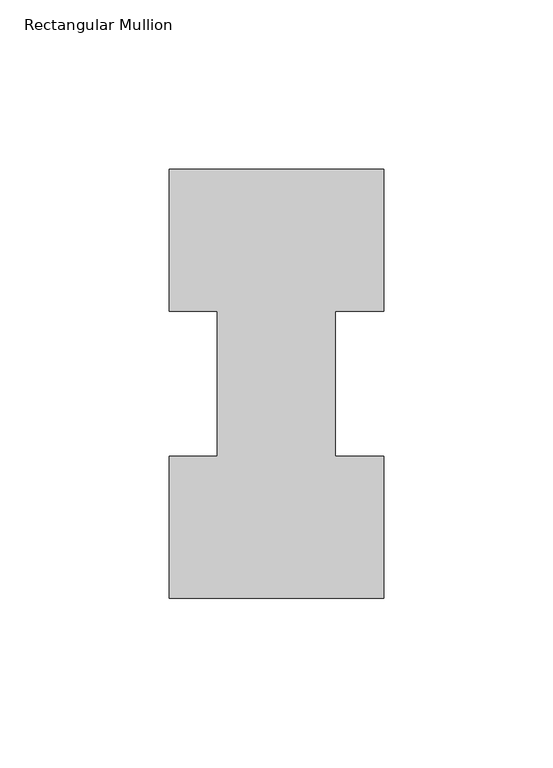
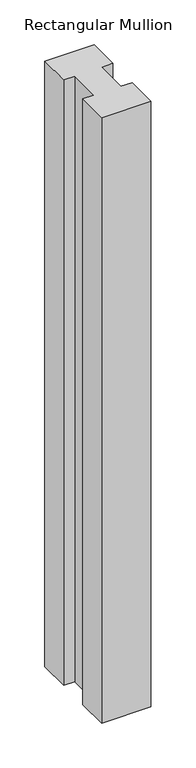
"""IFC4 building model written with IfcOpenShell, lengths in millimetres: member geometry, Rectangular Mullion."""

from ifc_helpers import new_model, si_unit, frame, origin, place, context, project, spatial, polyline, outline, extrude, source, transform, mapped, element, save


def rectangular_mullion_1668c33b(model_context):
    return source(origin(), model_context, "Body", "SweptSolid", [
        extrude(outline(polyline([(-31.75, 127.00635), (31.75, 127.00635), (31.75, 84.93125), (17.4625, 84.93125), (17.4625, 42.08145), (31.75, 42.08145), (31.75, 0.00635), (-31.75, 0.00635), (-31.75, 42.08145), (-17.4625, 42.08145), (-17.4625, 84.93125), (-31.75, 84.93125), (-31.75, 127.00635)])), frame((0.0, 0.0, -825.5177772), z_axis=(0.0, 0.0, 1.0), x_axis=(1.0, 0.0, 0.0)), (0.0, 0.0, 1.0), 825.5177772),
    ])


if __name__ == "__main__":
    model = new_model("IFC4")
    model_context = context("Model", 3, world=origin())
    ifc_project = project(units=[si_unit("LENGTHUNIT", "METRE", prefix="MILLI")], contexts=[model_context])
    site = spatial("IfcSite", under=ifc_project)
    building = spatial("IfcBuilding", under=site)
    placement = place(None, origin())
    rectangular_mullion_shape = rectangular_mullion_1668c33b(model_context)
    element("IfcMember", 1, ObjectType="Rectangular Mullion", at=placement, inside=building, context=model_context, shape_type="MappedRepresentation", body=[
        mapped(rectangular_mullion_shape, transform((0.0, 0.0, 0.0), x_axis=(1.0, 0.0, 0.0), y_axis=(0.0, 1.0, 0.0), z_axis=(0.0, 0.0, 1.0))),
    ])
    save(model, "model.ifc")
